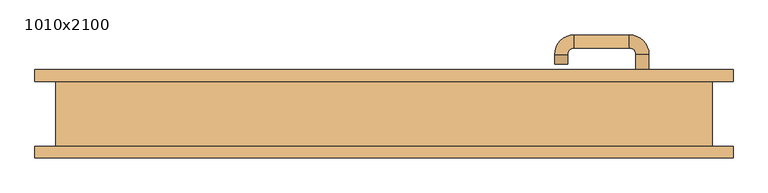
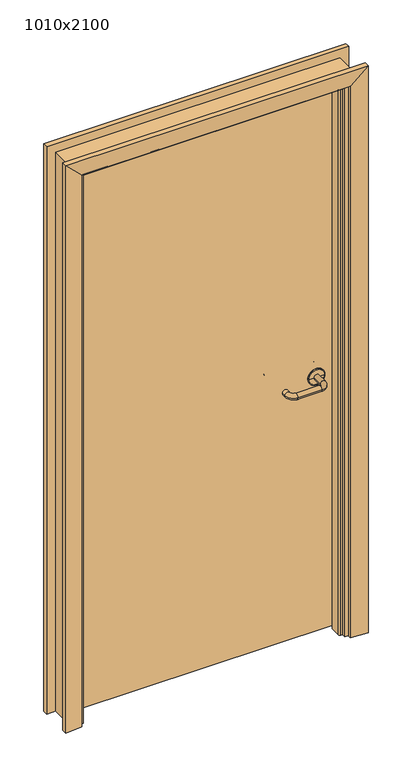
"""IFC4 building model written with IfcOpenShell, lengths in millimetres: door geometry, 1010x2100."""

from ifc_helpers import new_model, si_unit, point, frame, origin, place, context, project, spatial, polyline, circle_curve, ellipse_curve, trimmed, outline, extrude, faceted_brep, source, transform, mapped, element, save
from ifc_brep_helpers import plane_surface, cylinder_surface, revolved_surface, advanced_brep


def door_1010x2100_4cf32f9f(model_context):
    return source(origin(), model_context, "Body", "SolidModel", [
        advanced_brep(
        [(407.5389275, 50.0, 965.0), (387.5389275, 50.0, 965.0), (387.5389275, 91.7730895, 965.0), (407.5389275, 91.7730895, 965.0), (377.5389275, 121.7730895, 965.0), (377.5389275, 101.7730895, 965.0), (292.5389265, 101.7730895, 965.0), (292.5389265, 121.7730895, 965.0), (262.5389265, 91.7730895, 965.0), (282.5389265, 91.7730895, 965.0), (262.5389265, 76.7730887, 965.0), (282.5389265, 76.7730887, 965.0)],
        [
            (0, 1, circle_curve(frame((397.5389275, 50.0, 965.0), z_axis=(0.0, -1.0, 0.0), x_axis=(-1.0, 0.0, 0.0)), 10.0)),
            (1, 0, circle_curve(frame((397.5389275, 50.0, 965.0), z_axis=(0.0, -1.0, 0.0), x_axis=(-1.0, 0.0, 0.0)), 10.0)),
            (1, 2),
            (2, 3, circle_curve(frame((397.5389275, 91.7730895, 965.0), z_axis=(0.0, -1.0, 0.0), x_axis=(-1.0, 0.0, 0.0)), 10.0)),
            (3, 0),
            (3, 2, circle_curve(frame((397.5389275, 91.7730895, 965.0), z_axis=(0.0, -1.0, 0.0), x_axis=(-1.0, 0.0, 0.0)), 10.0)),
            (4, 3, circle_curve(frame((377.5389275, 91.7730895, 965.0), z_axis=(0.0, 0.0, -1.0), x_axis=(1.0, 0.0, 0.0)), 30.0)),
            (2, 5, circle_curve(frame((377.5389275, 91.7730895, 965.0), z_axis=(0.0, 0.0, 1.0), x_axis=(1.0, 0.0, 0.0)), 10.0)),
            (5, 4, circle_curve(frame((377.5389275, 111.7730895, 965.0), z_axis=(1.0, 0.0, 0.0), x_axis=(0.0, -1.0, 0.0)), 10.0)),
            (4, 5, circle_curve(frame((377.5389275, 111.7730895, 965.0), z_axis=(1.0, 0.0, 0.0), x_axis=(0.0, -1.0, 0.0)), 10.0)),
            (5, 6),
            (6, 7, circle_curve(frame((292.5389265, 111.7730895, 965.0), z_axis=(1.0, 0.0, 0.0), x_axis=(0.0, -1.0, 0.0)), 10.0)),
            (7, 4),
            (7, 6, circle_curve(frame((292.5389265, 111.7730895, 965.0), z_axis=(1.0, 0.0, 0.0), x_axis=(0.0, -1.0, 0.0)), 10.0)),
            (8, 7, circle_curve(frame((292.5389265, 91.7730895, 965.0), z_axis=(0.0, 0.0, -1.0), x_axis=(0.0, 1.0, 0.0)), 30.0)),
            (6, 9, circle_curve(frame((292.5389265, 91.7730895, 965.0), z_axis=(0.0, 0.0, 1.0), x_axis=(0.0, 1.0, 0.0)), 10.0)),
            (9, 8, circle_curve(frame((272.5389265, 91.7730895, 965.0), z_axis=(0.0, 1.0, 0.0), x_axis=(1.0, 0.0, 0.0)), 10.0)),
            (8, 9, circle_curve(frame((272.5389265, 91.7730895, 965.0), z_axis=(0.0, 1.0, 0.0), x_axis=(1.0, 0.0, 0.0)), 10.0)),
            (10, 11, circle_curve(frame((272.5389265, 76.7730887, 965.0), z_axis=(0.0, -1.0, 0.0), x_axis=(1.0, 0.0, 0.0)), 10.0)),
            (11, 10, circle_curve(frame((272.5389265, 76.7730887, 965.0), z_axis=(0.0, -1.0, 0.0), x_axis=(1.0, 0.0, 0.0)), 10.0)),
            (9, 11),
            (10, 8),
        ],
        [
            plane_surface(frame((397.5389275, 50.0, 965.0), z_axis=(0.0, -1.0, 0.0), x_axis=(0.0, 0.0, 1.0))),
            cylinder_surface(frame((397.5389275, 50.0, 965.0), z_axis=(0.0, -1.0, 0.0), x_axis=(-1.0, 0.0, 0.0)), 10.0),
            revolved_surface(trimmed(ellipse_curve(frame((397.5389275, 91.7730895, 965.0), z_axis=(0.0, -1.0, 0.0), x_axis=(-1.0, 0.0, 0.0)), 10.0, 10.0), [point((387.5389275, 91.7730895, 965.0))], [point((407.5389275, 91.7730895, 965.0))], True, "CARTESIAN"), (377.5389275, 91.7730895, 965.0), (0.0, 0.0, 1.0)),
            revolved_surface(trimmed(ellipse_curve(frame((397.5389275, 91.7730895, 965.0), z_axis=(0.0, -1.0, 0.0), x_axis=(-1.0, 0.0, 0.0)), 10.0, 10.0), [point((407.5389275, 91.7730895, 965.0))], [point((387.5389275, 91.7730895, 965.0))], True, "CARTESIAN"), (377.5389275, 91.7730895, 965.0), (0.0, 0.0, 1.0)),
            cylinder_surface(frame((377.5389275, 111.7730895, 965.0), z_axis=(1.0, 0.0, 0.0), x_axis=(0.0, -1.0, 0.0)), 10.0),
            revolved_surface(trimmed(ellipse_curve(frame((292.5389265, 111.7730895, 965.0), z_axis=(1.0, 0.0, 0.0), x_axis=(0.0, -1.0, 0.0)), 10.0, 10.0), [point((292.5389265, 101.7730895, 965.0))], [point((292.5389265, 121.7730895, 965.0))], True, "CARTESIAN"), (292.5389265, 91.7730895, 965.0), (0.0, 0.0, 1.0)),
            revolved_surface(trimmed(ellipse_curve(frame((292.5389265, 111.7730895, 965.0), z_axis=(1.0, 0.0, 0.0), x_axis=(0.0, -1.0, 0.0)), 10.0, 10.0), [point((292.5389265, 121.7730895, 965.0))], [point((292.5389265, 101.7730895, 965.0))], True, "CARTESIAN"), (292.5389265, 91.7730895, 965.0), (0.0, 0.0, 1.0)),
            plane_surface(frame((272.5389265, 76.7730887, 965.0), z_axis=(0.0, -1.0, 0.0), x_axis=(0.0, 0.0, 1.0))),
            cylinder_surface(frame((272.5389265, 91.7730895, 965.0), z_axis=(0.0, 1.0, 0.0), x_axis=(1.0, 0.0, 0.0)), 10.0),
        ],
        [
            (0, [[1, 2]]),
            (1, [[-2, 3, 4, 5]]),
            (1, [[-1, -5, 6, -3]]),
            (2, [[7, -4, 8, 9]]),
            (3, [[-8, -6, -7, 10]]),
            (4, [[-9, 11, 12, 13]]),
            (4, [[-10, -13, 14, -11]]),
            (5, [[15, -12, 16, 17]]),
            (6, [[-16, -14, -15, 18]]),
            (7, [[19, 20]]),
            (8, [[-17, 21, -19, 22]]),
            (8, [[-18, -22, -20, -21]]),
        ],
    ),
        advanced_brep(
        [(397.5389275, 50.0, 965.0), (367.5389281, 50.0, 965.0), (427.5389268, 50.0, 965.0), (367.5389281, 50.819943, 965.0), (427.5389268, 50.819943, 965.0), (424.5857807, 53.7730891, 965.0), (370.4920742, 53.7730891, 965.0), (397.5389275, 53.7730891, 965.0)],
        [
            (0, 1),
            (1, 2, circle_curve(frame((397.5389275, 50.0, 965.0), z_axis=(0.0, -1.0, 0.0), x_axis=(-1.0, 0.0, 0.0)), 29.9999993)),
            (2, 0),
            (2, 1, circle_curve(frame((397.5389275, 50.0, 965.0), z_axis=(0.0, -1.0, 0.0), x_axis=(-1.0, 0.0, 0.0)), 29.9999993)),
            (1, 3),
            (3, 4, circle_curve(frame((397.5389275, 50.819943, 965.0), z_axis=(0.0, -1.0, 0.0), x_axis=(-1.0, 0.0, 0.0)), 29.9999993)),
            (4, 2),
            (4, 3, circle_curve(frame((397.5389275, 50.819943, 965.0), z_axis=(0.0, -1.0, 0.0), x_axis=(-1.0, 0.0, 0.0)), 29.9999993)),
            (5, 6, circle_curve(frame((397.5389275, 53.7730891, 965.0), z_axis=(0.0, 1.0, 0.0), x_axis=(-1.0, 0.0, 0.0)), 27.0468532)),
            (6, 7),
            (7, 5),
            (6, 5, circle_curve(frame((397.5389275, 53.7730891, 965.0), z_axis=(0.0, 1.0, 0.0), x_axis=(-1.0, 0.0, 0.0)), 27.0468532)),
            (3, 6, circle_curve(frame((370.4920742, 50.819943, 965.0), z_axis=(0.0, 0.0, -1.0), x_axis=(1.0, 0.0, 0.0)), 2.9531461)),
            (5, 4, circle_curve(frame((424.5857807, 50.819943, 965.0), z_axis=(0.0, 0.0, -1.0), x_axis=(-1.0, 0.0, 0.0)), 2.9531461)),
        ],
        [
            plane_surface(frame((397.5389275, 50.0, 965.0), z_axis=(0.0, -1.0, 0.0), x_axis=(-1.0, 0.0, 0.0))),
            cylinder_surface(frame((397.5389275, 50.0, 965.0), z_axis=(0.0, -1.0, 0.0), x_axis=(-1.0, 0.0, 0.0)), 29.9999993),
            plane_surface(frame((397.5389275, 53.7730891, 965.0), z_axis=(0.0, 1.0, 0.0), x_axis=(-1.0, 0.0, 0.0))),
            revolved_surface(trimmed(ellipse_curve(frame((370.4920742, 50.819943, 965.0), z_axis=(0.0, 0.0, 1.0), x_axis=(1.0, 0.0, 0.0)), 2.9531461, 2.9531461), [point((370.4920742, 53.7730891, 965.0))], [point((367.5389281, 50.819943, 965.0))], True, "CARTESIAN"), (397.5389275, 50.0, 965.0), (0.0, -1.0, 0.0)),
        ],
        [
            (0, [[1, 2, 3]]),
            (0, [[-3, 4, -1]]),
            (1, [[-2, 5, 6, 7]]),
            (1, [[-4, -7, 8, -5]]),
            (2, [[9, 10, 11]]),
            (2, [[12, -11, -10]]),
            (3, [[-6, 13, -9, 14]]),
            (3, [[-8, -14, -12, -13]]),
        ],
    ),
        advanced_brep(
        [(407.5389275, 10.0, 965.0), (387.5389275, 10.0, 965.0), (407.5389275, -31.7730894, 965.0), (387.5389275, -31.7730894, 965.0), (377.5389275, -41.7730894, 965.0), (377.5389275, -61.7730894, 965.0), (292.5389265, -61.7730894, 965.0), (292.5389265, -41.7730894, 965.0), (282.5389265, -31.7730894, 965.0), (262.5389265, -31.7730894, 965.0), (262.5389265, -16.7730887, 965.0), (282.5389265, -16.7730887, 965.0)],
        [
            (0, 1, circle_curve(frame((397.5389275, 10.0, 965.0), z_axis=(0.0, 1.0, 0.0), x_axis=(-1.0, 0.0, 0.0)), 10.0)),
            (1, 0, circle_curve(frame((397.5389275, 10.0, 965.0), z_axis=(0.0, 1.0, 0.0), x_axis=(-1.0, 0.0, 0.0)), 10.0)),
            (0, 2),
            (2, 3, circle_curve(frame((397.5389275, -31.7730894, 965.0), z_axis=(0.0, 1.0, 0.0), x_axis=(-1.0, 0.0, 0.0)), 10.0)),
            (3, 1),
            (3, 2, circle_curve(frame((397.5389275, -31.7730894, 965.0), z_axis=(0.0, 1.0, 0.0), x_axis=(-1.0, 0.0, 0.0)), 10.0)),
            (4, 3, circle_curve(frame((377.5389275, -31.7730894, 965.0), z_axis=(0.0, 0.0, 1.0), x_axis=(1.0, 0.0, 0.0)), 10.0)),
            (2, 5, circle_curve(frame((377.5389275, -31.7730894, 965.0), z_axis=(0.0, 0.0, -1.0), x_axis=(1.0, 0.0, 0.0)), 30.0)),
            (5, 4, circle_curve(frame((377.5389275, -51.7730894, 965.0), z_axis=(1.0, 0.0, 0.0), x_axis=(0.0, 1.0, 0.0)), 10.0)),
            (4, 5, circle_curve(frame((377.5389275, -51.7730894, 965.0), z_axis=(1.0, 0.0, 0.0), x_axis=(0.0, 1.0, 0.0)), 10.0)),
            (5, 6),
            (6, 7, circle_curve(frame((292.5389265, -51.7730894, 965.0), z_axis=(1.0, 0.0, 0.0), x_axis=(0.0, 1.0, 0.0)), 10.0)),
            (7, 4),
            (7, 6, circle_curve(frame((292.5389265, -51.7730894, 965.0), z_axis=(1.0, 0.0, 0.0), x_axis=(0.0, 1.0, 0.0)), 10.0)),
            (8, 7, circle_curve(frame((292.5389265, -31.7730894, 965.0), z_axis=(0.0, 0.0, 1.0), x_axis=(0.0, -1.0, 0.0)), 10.0)),
            (6, 9, circle_curve(frame((292.5389265, -31.7730894, 965.0), z_axis=(0.0, 0.0, -1.0), x_axis=(0.0, -1.0, 0.0)), 30.0)),
            (9, 8, circle_curve(frame((272.5389265, -31.7730894, 965.0), z_axis=(0.0, -1.0, 0.0), x_axis=(1.0, 0.0, 0.0)), 10.0)),
            (8, 9, circle_curve(frame((272.5389265, -31.7730894, 965.0), z_axis=(0.0, -1.0, 0.0), x_axis=(1.0, 0.0, 0.0)), 10.0)),
            (10, 11, circle_curve(frame((272.5389265, -16.7730887, 965.0), z_axis=(0.0, 1.0, 0.0), x_axis=(1.0, 0.0, 0.0)), 10.0)),
            (11, 10, circle_curve(frame((272.5389265, -16.7730887, 965.0), z_axis=(0.0, 1.0, 0.0), x_axis=(1.0, 0.0, 0.0)), 10.0)),
            (9, 10),
            (11, 8),
        ],
        [
            plane_surface(frame((397.5389275, 10.0, 965.0), z_axis=(0.0, 1.0, 0.0), x_axis=(0.0, 0.0, 1.0))),
            cylinder_surface(frame((397.5389275, 10.0, 965.0), z_axis=(0.0, 1.0, 0.0), x_axis=(-1.0, 0.0, 0.0)), 10.0),
            revolved_surface(trimmed(ellipse_curve(frame((397.5389275, -31.7730894, 965.0), z_axis=(0.0, 1.0, 0.0), x_axis=(-1.0, 0.0, 0.0)), 10.0, 10.0), [point((407.5389275, -31.7730894, 965.0))], [point((387.5389275, -31.7730894, 965.0))], True, "CARTESIAN"), (377.5389275, -31.7730894, 965.0), (0.0, 0.0, -1.0)),
            revolved_surface(trimmed(ellipse_curve(frame((397.5389275, -31.7730894, 965.0), z_axis=(0.0, 1.0, 0.0), x_axis=(-1.0, 0.0, 0.0)), 10.0, 10.0), [point((387.5389275, -31.7730894, 965.0))], [point((407.5389275, -31.7730894, 965.0))], True, "CARTESIAN"), (377.5389275, -31.7730894, 965.0), (0.0, 0.0, -1.0)),
            cylinder_surface(frame((377.5389275, -51.7730894, 965.0), z_axis=(1.0, 0.0, 0.0), x_axis=(0.0, 1.0, 0.0)), 10.0),
            revolved_surface(trimmed(ellipse_curve(frame((292.5389265, -51.7730894, 965.0), z_axis=(1.0, 0.0, 0.0), x_axis=(0.0, 1.0, 0.0)), 10.0, 10.0), [point((292.5389265, -61.7730894, 965.0))], [point((292.5389265, -41.7730894, 965.0))], True, "CARTESIAN"), (292.5389265, -31.7730894, 965.0), (0.0, 0.0, -1.0)),
            revolved_surface(trimmed(ellipse_curve(frame((292.5389265, -51.7730894, 965.0), z_axis=(1.0, 0.0, 0.0), x_axis=(0.0, 1.0, 0.0)), 10.0, 10.0), [point((292.5389265, -41.7730894, 965.0))], [point((292.5389265, -61.7730894, 965.0))], True, "CARTESIAN"), (292.5389265, -31.7730894, 965.0), (0.0, 0.0, -1.0)),
            plane_surface(frame((272.5389265, -16.7730887, 965.0), z_axis=(0.0, 1.0, 0.0), x_axis=(0.0, 0.0, 1.0))),
            cylinder_surface(frame((272.5389265, -31.7730894, 965.0), z_axis=(0.0, -1.0, 0.0), x_axis=(1.0, 0.0, 0.0)), 10.0),
        ],
        [
            (0, [[1, 2]]),
            (1, [[-1, 3, 4, 5]]),
            (1, [[-2, -5, 6, -3]]),
            (2, [[7, -4, 8, 9]]),
            (3, [[-8, -6, -7, 10]]),
            (4, [[-9, 11, 12, 13]]),
            (4, [[-10, -13, 14, -11]]),
            (5, [[15, -12, 16, 17]]),
            (6, [[-16, -14, -15, 18]]),
            (7, [[19, 20]]),
            (8, [[-17, 21, -20, 22]]),
            (8, [[-18, -22, -19, -21]]),
        ],
    ),
        advanced_brep(
        [(427.5389268, 10.0, 965.0), (367.5389281, 10.0, 965.0), (397.5389275, 10.0, 965.0), (427.5389268, 9.180057, 965.0), (367.5389281, 9.180057, 965.0), (397.5389275, 6.2269109, 965.0), (370.4920742, 6.2269109, 965.0), (424.5857807, 6.2269109, 965.0)],
        [
            (0, 1, circle_curve(frame((397.5389275, 10.0, 965.0), z_axis=(0.0, 1.0, 0.0), x_axis=(-1.0, 0.0, 0.0)), 29.9999993)),
            (1, 2),
            (2, 0),
            (1, 0, circle_curve(frame((397.5389275, 10.0, 965.0), z_axis=(0.0, 1.0, 0.0), x_axis=(-1.0, 0.0, 0.0)), 29.9999993)),
            (3, 4, circle_curve(frame((397.5389275, 9.180057, 965.0), z_axis=(0.0, 1.0, 0.0), x_axis=(-1.0, 0.0, 0.0)), 29.9999993)),
            (4, 1),
            (0, 3),
            (4, 3, circle_curve(frame((397.5389275, 9.180057, 965.0), z_axis=(0.0, 1.0, 0.0), x_axis=(-1.0, 0.0, 0.0)), 29.9999993)),
            (5, 6),
            (6, 7, circle_curve(frame((397.5389275, 6.2269109, 965.0), z_axis=(0.0, -1.0, 0.0), x_axis=(-1.0, 0.0, 0.0)), 27.0468532)),
            (7, 5),
            (7, 6, circle_curve(frame((397.5389275, 6.2269109, 965.0), z_axis=(0.0, -1.0, 0.0), x_axis=(-1.0, 0.0, 0.0)), 27.0468532)),
            (6, 4, circle_curve(frame((370.4920742, 9.180057, 965.0), z_axis=(0.0, 0.0, -1.0), x_axis=(1.0, 0.0, 0.0)), 2.9531461)),
            (3, 7, circle_curve(frame((424.5857807, 9.180057, 965.0), z_axis=(0.0, 0.0, -1.0), x_axis=(-1.0, 0.0, 0.0)), 2.9531461)),
        ],
        [
            plane_surface(frame((397.5389275, 10.0, 965.0), z_axis=(0.0, 1.0, 0.0), x_axis=(-1.0, 0.0, 0.0))),
            cylinder_surface(frame((397.5389275, 10.0, 965.0), z_axis=(0.0, -1.0, 0.0), x_axis=(-1.0, 0.0, 0.0)), 29.9999993),
            plane_surface(frame((397.5389275, 6.2269109, 965.0), z_axis=(0.0, -1.0, 0.0), x_axis=(-1.0, 0.0, 0.0))),
            revolved_surface(trimmed(ellipse_curve(frame((370.4920742, 9.180057, 965.0), z_axis=(0.0, 0.0, 1.0), x_axis=(1.0, 0.0, 0.0)), 2.9531461, 2.9531461), [point((367.5389281, 9.180057, 965.0))], [point((370.4920742, 6.2269109, 965.0))], True, "CARTESIAN"), (397.5389275, 10.0, 965.0), (0.0, -1.0, 0.0)),
        ],
        [
            (0, [[1, 2, 3]]),
            (0, [[4, -3, -2]]),
            (1, [[5, 6, -1, 7]]),
            (1, [[8, -7, -4, -6]]),
            (2, [[9, 10, 11]]),
            (2, [[-11, 12, -9]]),
            (3, [[-10, 13, -5, 14]]),
            (3, [[-12, -14, -8, -13]]),
        ],
    ),
        extrude(outline(polyline([(462.5389275, 50.0), (462.5389275, 10.0), (-462.538929, 10.0), (-462.538929, 50.0), (462.5389275, 50.0)])), frame((0.0, 0.0, 10.0), z_axis=(0.0, 0.0, 1.0), x_axis=(1.0, 0.0, 0.0)), (0.0, 0.0, 1.0), 2047.0),
        advanced_brep(
        [(505.0, -50.0, 0.0), (465.0389382, -50.0, 0.0), (465.0389382, -36.0356785, 0.0), (459.0397424, -36.0356785, 0.0), (452.938932, -29.9348682, 0.0), (452.938932, 7.9643213, 0.0), (465.0389382, 7.9643213, 0.0), (465.0389382, 50.0, 0.0), (505.0, 50.0, 0.0), (505.0, -50.0, 2100.0), (-505.0, -50.0, 2100.0), (-505.0, -50.0, 0.0), (-465.0389382, -50.0, 0.0), (-465.0389382, -50.0, 2060.0389382), (465.0389382, -50.0, 2060.0389382), (465.0389382, -36.0356785, 2060.0389382), (-465.0389382, -36.0356785, 2060.0389382), (-465.0389382, -36.0356785, 0.0), (-459.0397424, -36.0356785, 0.0), (-459.0397424, -36.0356785, 2054.0397424), (459.0397424, -36.0356785, 2054.0397424), (452.938932, -29.9348682, 2047.938932), (452.938932, 7.9643213, 2047.938932), (-452.938932, 7.9643213, 2047.938932), (-452.938932, 7.9643213, 0.0), (-465.0389382, 7.9643213, 0.0), (-465.0389382, 7.9643213, 2060.0389382), (465.0389382, 7.9643213, 2060.0389382), (465.0389382, 50.0, 2060.0389382), (505.0, 50.0, 2100.0), (-452.938932, -29.9348682, 2047.938932), (-465.0389382, 50.0, 2060.0389382), (-505.0, 50.0, 2100.0), (-505.0, 50.0, 0.0), (-465.0389382, 50.0, 0.0), (-452.938932, -29.9348682, 0.0)],
        [
            (0, 1),
            (1, 2),
            (2, 3),
            (3, 4, circle_curve(frame((459.0397424, -29.9348682, 0.0), z_axis=(0.0, 0.0, -1.0), x_axis=(-1.0, 0.0, 0.0)), 6.1008103)),
            (4, 5),
            (5, 6),
            (6, 7),
            (7, 8),
            (8, 0),
            (0, 9),
            (9, 10),
            (10, 11),
            (11, 12),
            (12, 13),
            (13, 14),
            (14, 1),
            (14, 15),
            (15, 2),
            (15, 16),
            (16, 17),
            (17, 18),
            (18, 19),
            (19, 20),
            (20, 3),
            (20, 21, ellipse_curve(frame((459.0397424, -29.9348682, 2054.0397424), z_axis=(0.7071067811865475, 0.0, -0.7071067811865475), x_axis=(-0.7071067811865474, 0.0, -0.7071067811865476)), 8.6278487, 6.1008103)),
            (21, 4),
            (21, 22),
            (22, 5),
            (22, 23),
            (23, 24),
            (24, 25),
            (25, 26),
            (26, 27),
            (27, 6),
            (27, 28),
            (28, 7),
            (8, 29),
            (29, 9),
            (13, 16),
            (19, 30, ellipse_curve(frame((-459.0397424, -29.9348682, 2054.0397424), z_axis=(0.7071067811865475, 0.0, 0.7071067811865475), x_axis=(0.7071067811865476, 0.0, -0.7071067811865474)), 8.6278487, 6.1008103)),
            (30, 21),
            (30, 23),
            (26, 31),
            (31, 28),
            (29, 32),
            (32, 10),
            (11, 33),
            (33, 34),
            (34, 25),
            (24, 35),
            (35, 18, circle_curve(frame((-459.0397424, -29.9348682, 0.0), z_axis=(0.0, 0.0, -1.0), x_axis=(1.0, 0.0, 0.0)), 6.1008103)),
            (17, 12),
            (35, 30),
            (34, 31),
            (32, 33),
        ],
        [
            plane_surface(frame((505.0, 50.0, 0.0), z_axis=(0.0, 0.0, -1.0), x_axis=(0.0, -1.0, 0.0))),
            plane_surface(frame((505.0, -50.0, 0.0), z_axis=(0.0, -1.0, 0.0), x_axis=(0.0, 0.0, 1.0))),
            plane_surface(frame((465.0389382, -50.0, 0.0), z_axis=(-1.0, 0.0, 0.0), x_axis=(0.0, 0.0, 1.0))),
            plane_surface(frame((465.0389382, -36.0356785, 0.0), z_axis=(0.0, -1.0, 0.0), x_axis=(0.0, 0.0, 1.0))),
            cylinder_surface(frame((459.0397424, -29.9348682, 0.0), z_axis=(0.0, 0.0, -1.0), x_axis=(-1.0, 0.0, 0.0)), 6.1008103),
            plane_surface(frame((452.938932, -29.9348682, 0.0), z_axis=(-1.0, 0.0, 0.0), x_axis=(0.0, 0.0, 1.0))),
            plane_surface(frame((452.938932, 7.9643213, 0.0), z_axis=(0.0, 1.0, 0.0), x_axis=(0.0, 0.0, 1.0))),
            plane_surface(frame((465.0389382, 7.9643213, 0.0), z_axis=(-1.0, 0.0, 0.0), x_axis=(0.0, 0.0, 1.0))),
            plane_surface(frame((505.0, 50.0, 0.0), z_axis=(1.0, 0.0, 0.0), x_axis=(0.0, 0.0, 1.0))),
            plane_surface(frame((465.0389382, -50.0, 2060.0389382), z_axis=(0.0, 0.0, -1.0), x_axis=(-1.0, 0.0, 0.0))),
            cylinder_surface(frame((505.0, -29.9348682, 2054.0397424), z_axis=(1.0, 0.0, 0.0), x_axis=(0.0, 0.0, -1.0)), 6.1008103),
            plane_surface(frame((452.938932, -29.9348682, 2047.938932), z_axis=(0.0, 0.0, -1.0), x_axis=(-1.0, 0.0, 0.0))),
            plane_surface(frame((465.0389382, 7.9643213, 2060.0389382), z_axis=(0.0, 0.0, -1.0), x_axis=(-1.0, 0.0, 0.0))),
            plane_surface(frame((505.0, 50.0, 2100.0), z_axis=(0.0, 0.0, 1.0), x_axis=(-1.0, 0.0, 0.0))),
            plane_surface(frame((-505.0, 50.0, 0.0), z_axis=(0.0, 0.0, -1.0), x_axis=(0.0, -1.0, 0.0))),
            plane_surface(frame((-465.0389382, -50.0, 2060.0389382), z_axis=(1.0, 0.0, 0.0), x_axis=(0.0, 0.0, -1.0))),
            cylinder_surface(frame((-459.0397424, -29.9348682, 2100.0), z_axis=(0.0, 0.0, 1.0), x_axis=(1.0, 0.0, 0.0)), 6.1008103),
            plane_surface(frame((-452.938932, -29.9348682, 2047.938932), z_axis=(1.0, 0.0, 0.0), x_axis=(0.0, 0.0, -1.0))),
            plane_surface(frame((-465.0389382, 7.9643213, 2060.0389382), z_axis=(1.0, 0.0, 0.0), x_axis=(0.0, 0.0, -1.0))),
            plane_surface(frame((-505.0, 50.0, 2100.0), z_axis=(-1.0, 0.0, 0.0), x_axis=(0.0, 0.0, -1.0))),
            plane_surface(frame((465.0389382, 50.0, 0.0), z_axis=(0.0, 1.0, 0.0), x_axis=(0.0, 0.0, 1.0))),
        ],
        [
            (0, [[1, 2, 3, 4, 5, 6, 7, 8, 9]]),
            (1, [[-1, 10, 11, 12, 13, 14, 15, 16]]),
            (2, [[-2, -16, 17, 18]]),
            (3, [[-3, -18, 19, 20, 21, 22, 23, 24]]),
            (4, [[-4, -24, 25, 26]]),
            (5, [[-5, -26, 27, 28]]),
            (6, [[-6, -28, 29, 30, 31, 32, 33, 34]]),
            (7, [[-7, -34, 35, 36]]),
            (8, [[-9, 37, 38, -10]]),
            (9, [[-17, -15, 39, -19]]),
            (10, [[-25, -23, 40, 41]]),
            (11, [[-27, -41, 42, -29]]),
            (12, [[-35, -33, 43, 44]]),
            (13, [[-38, 45, 46, -11]]),
            (14, [[47, 48, 49, -31, 50, 51, -21, 52, -13]]),
            (15, [[-39, -14, -52, -20]]),
            (16, [[-40, -22, -51, 53]]),
            (17, [[-42, -53, -50, -30]]),
            (18, [[-43, -32, -49, 54]]),
            (19, [[-46, 55, -47, -12]]),
            (20, [[-8, -36, -44, -54, -48, -55, -45, -37]]),
        ],
    ),
        faceted_brep([(-537.0361788, -67.9999998, 0.0), (-537.0361788, -50.0, 0.0), (-477.0362074, -50.0, 0.0), (-477.0362074, -61.9999981, 0.0), (-477.0362074, -61.9999981, 2071.4999916), (-537.0361788, -67.9999998, 2131.499963), (-477.0362074, -50.0, 2071.4999916), (-537.0361788, -50.0, 2131.499963), (537.0361788, -50.0, 2131.499963), (537.0361788, -50.0, 0.0), (477.0362074, -50.0, 0.0), (477.0362074, -50.0, 2071.4999916), (477.0362074, -61.9999981, 2071.4999916), (537.0361788, -67.9999998, 2131.499963), (537.0361788, -67.9999998, 0.0), (477.0362074, -61.9999981, 0.0)], [[[0, 1, 2, 3]], [[0, 3, 4, 5]], [[3, 2, 6, 4]], [[2, 1, 7, 8, 9, 10, 11, 6]], [[1, 0, 5, 7]], [[5, 4, 12, 13]], [[4, 6, 11, 12]], [[7, 5, 13, 8]], [[14, 15, 10, 9]], [[13, 12, 15, 14]], [[12, 11, 10, 15]], [[8, 13, 14, 9]]]),
        faceted_brep([(-537.0361788, 67.9999998, 0.0), (-477.0362074, 61.9999981, 0.0), (-477.0362074, 50.0, 0.0), (-537.0361788, 50.0, 0.0), (-537.0361788, 67.9999998, 2131.499963), (-477.0362074, 61.9999981, 2071.4999916), (-477.0362074, 50.0, 2071.4999916), (477.0362074, 50.0, 2071.4999916), (477.0362074, 50.0, 0.0), (537.0361788, 50.0, 0.0), (537.0361788, 50.0, 2131.499963), (-537.0361788, 50.0, 2131.499963), (537.0361788, 67.9999998, 2131.499963), (477.0362074, 61.9999981, 2071.4999916), (537.0361788, 67.9999998, 0.0), (477.0362074, 61.9999981, 0.0)], [[[0, 1, 2, 3]], [[1, 0, 4, 5]], [[3, 2, 6, 7, 8, 9, 10, 11]], [[0, 3, 11, 4]], [[5, 4, 12, 13]], [[4, 11, 10, 12]], [[14, 9, 8, 15]], [[13, 12, 14, 15]], [[12, 10, 9, 14]], [[2, 1, 5, 6]], [[6, 5, 13, 7]], [[7, 13, 15, 8]]]),
    ])


if __name__ == "__main__":
    model = new_model("IFC4")
    model_context = context("Model", 3, world=origin())
    ifc_project = project(units=[si_unit("LENGTHUNIT", "METRE", prefix="MILLI")], contexts=[model_context])
    site = spatial("IfcSite", under=ifc_project)
    building = spatial("IfcBuilding", under=site)
    placement = place(None, origin())
    door_1010x2100_shape = door_1010x2100_4cf32f9f(model_context)
    element("IfcDoor", 1, ObjectType="1010x2100", at=placement, inside=building, context=model_context, shape_type="MappedRepresentation", body=[
        mapped(door_1010x2100_shape, transform((0.0, 0.0, 0.0), x_axis=(1.0, 0.0, 0.0), y_axis=(0.0, 1.0, 0.0), z_axis=(0.0, 0.0, 1.0))),
    ])
    save(model, "model.ifc")
